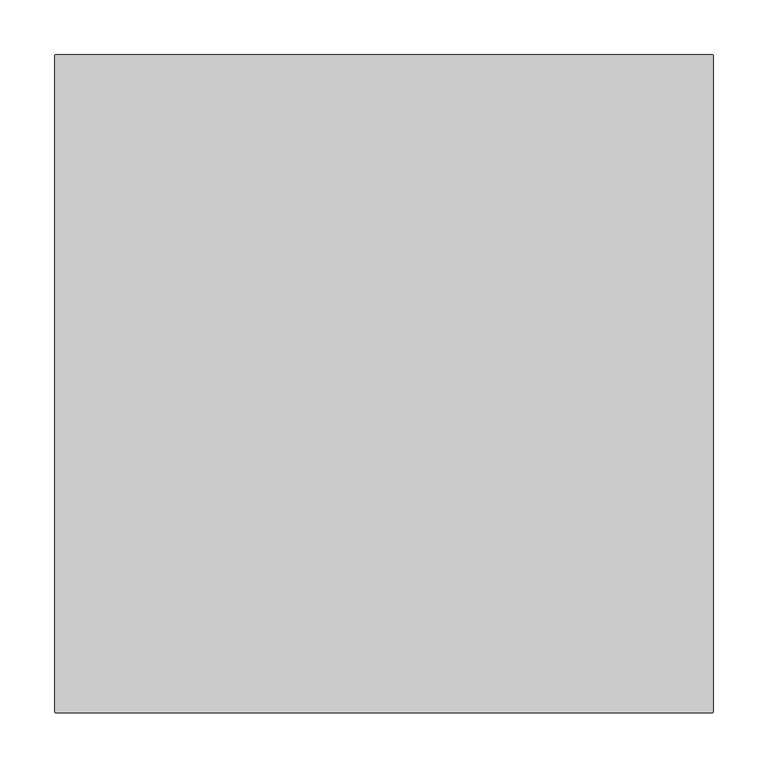
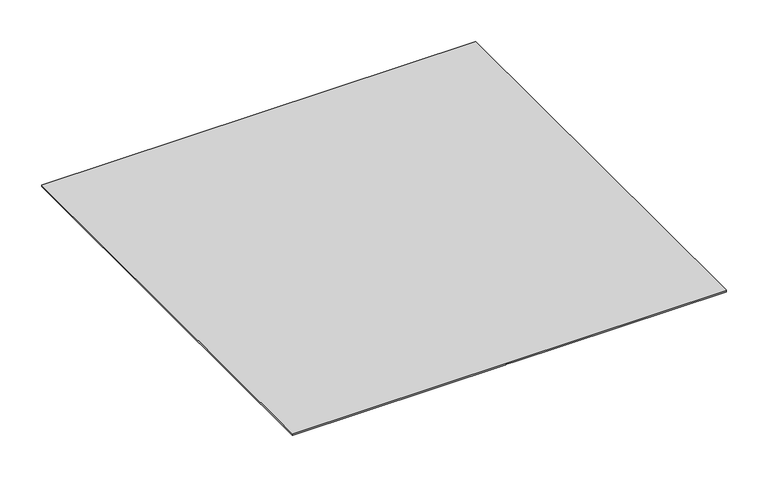
"""IFC4 building model written with IfcOpenShell, lengths in millimetres: proxy geometry."""

from ifc_helpers import new_model, si_unit, origin, place, context, project, spatial, faceted_brep, source, transform, mapped, element, save


def generic_models_99f14d8a(model_context):
    return source(origin(), model_context, "Body", "Brep", [
        faceted_brep([(-300.9549776, 301.5, 2.0), (-301.5, 300.9549776, 2.0), (-301.5, -300.9549776, 2.0), (-300.9549776, -301.5, 2.0), (300.9549776, -301.5, 2.0), (301.5, -300.9549776, 2.0), (301.5, 300.9549776, 2.0), (300.9549776, 301.5, 2.0), (-301.5, 300.9549776, 0.0), (-300.9549776, 301.5, 0.0), (-5.0, 301.5, 0.0), (-5.0, 5.0, 0.0), (-301.5, 5.0, 0.0), (300.9549776, 301.5, 0.0), (301.5, 300.9549776, 0.0), (301.5, 5.0, 0.0), (5.0, 5.0, 0.0), (5.0, 301.5, 0.0), (301.5, -300.9549776, 0.0), (300.9549776, -301.5, 0.0), (5.0, -301.5, 0.0), (5.0, -5.0, 0.0), (301.5, -5.0, 0.0), (-300.9549776, -301.5, 0.0), (-301.5, -300.9549776, 0.0), (-301.5, -5.0, 0.0), (-5.0, -5.0, 0.0), (-5.0, -301.5, 0.0), (-5.0, -301.5, 0.2), (5.0, -301.5, 0.2), (301.5, -5.0, 0.2), (301.5, 5.0, 0.2), (5.0, 301.5, 0.2), (-5.0, 301.5, 0.2), (-301.5, 5.0, 0.2), (-301.5, -5.0, 0.2), (-5.0, 5.0, 0.2), (5.0, 5.0, 0.2), (5.0, -5.0, 0.2), (-5.0, -5.0, 0.2)], [[[0, 1, 2, 3, 4, 5, 6, 7]], [[8, 9, 10, 11, 12]], [[13, 14, 15, 16, 17]], [[18, 19, 20, 21, 22]], [[23, 24, 25, 26, 27]], [[3, 23, 27, 28, 29, 20, 19, 4]], [[14, 6, 5, 18, 22, 30, 31, 15]], [[9, 0, 7, 13, 17, 32, 33, 10]], [[1, 8, 12, 34, 35, 25, 24, 2]], [[1, 0, 9, 8]], [[3, 2, 24, 23]], [[7, 6, 14, 13]], [[5, 4, 19, 18]], [[36, 33, 32, 37, 31, 30, 38, 29, 28, 39, 35, 34]], [[36, 34, 12, 11]], [[35, 39, 26, 25]], [[39, 28, 27, 26]], [[29, 38, 21, 20]], [[38, 30, 22, 21]], [[31, 37, 16, 15]], [[37, 32, 17, 16]], [[33, 36, 11, 10]]]),
    ])


if __name__ == "__main__":
    model = new_model("IFC4")
    model_context = context("Model", 3, world=origin())
    ifc_project = project(units=[si_unit("LENGTHUNIT", "METRE", prefix="MILLI")], contexts=[model_context])
    site = spatial("IfcSite", under=ifc_project)
    building = spatial("IfcBuilding", under=site)
    placement = place(None, origin())
    generic_models_shape = generic_models_99f14d8a(model_context)
    element("IfcBuildingElementProxy", 1, Name="Generic Models", at=placement, inside=building, context=model_context, shape_type="MappedRepresentation", body=[
        mapped(generic_models_shape, transform((0.0, 0.0, 0.0), x_axis=(1.0, 0.0, 0.0), y_axis=(0.0, 1.0, 0.0), z_axis=(0.0, 0.0, 1.0))),
    ])
    save(model, "model.ifc")
